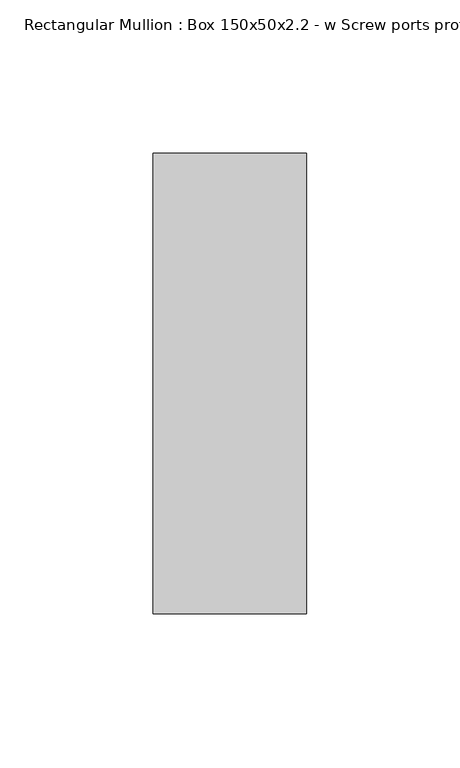
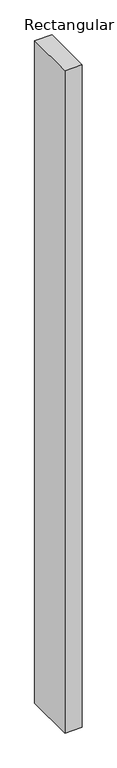
"""IFC4 building model written with IfcOpenShell, lengths in millimetres: member geometry, Rectangular Mullion : Box 150x50x2.2 - w Screw ports profile."""

from ifc_helpers import new_model, si_unit, frame, origin, place, context, project, spatial, polyline, outline, extrude, source, transform, mapped, element, save


def rectangular_mullion_box_150x50x2_2_w_screw_ports_profile_c5c806fd(model_context):
    return source(origin(), model_context, "Body", "SweptSolid", [
        extrude(outline(polyline([(25.0, 75.0), (25.0, -75.0), (-25.0, -75.0), (-25.0, 75.0), (25.0, 75.0)])), frame((0.0, 0.0, -2010.6694915), z_axis=(0.0, 0.0, 1.0), x_axis=(1.0, 0.0, 0.0)), (0.0, 0.0, 1.0), 2010.6694915),
    ])


if __name__ == "__main__":
    model = new_model("IFC4")
    model_context = context("Model", 3, world=origin())
    ifc_project = project(units=[si_unit("LENGTHUNIT", "METRE", prefix="MILLI")], contexts=[model_context])
    site = spatial("IfcSite", under=ifc_project)
    building = spatial("IfcBuilding", under=site)
    placement = place(None, origin())
    rectangular_mullion_box_150x50x2_2_w_screw_ports_profile_shape = rectangular_mullion_box_150x50x2_2_w_screw_ports_profile_c5c806fd(model_context)
    element("IfcMember", 1, ObjectType="Rectangular Mullion : Box 150x50x2.2 - w Screw ports profile", at=placement, inside=building, context=model_context, shape_type="MappedRepresentation", body=[
        mapped(rectangular_mullion_box_150x50x2_2_w_screw_ports_profile_shape, transform((0.0, 0.0, 0.0), x_axis=(1.0, 0.0, 0.0), y_axis=(0.0, 1.0, 0.0), z_axis=(0.0, 0.0, 1.0))),
    ])
    save(model, "model.ifc")
